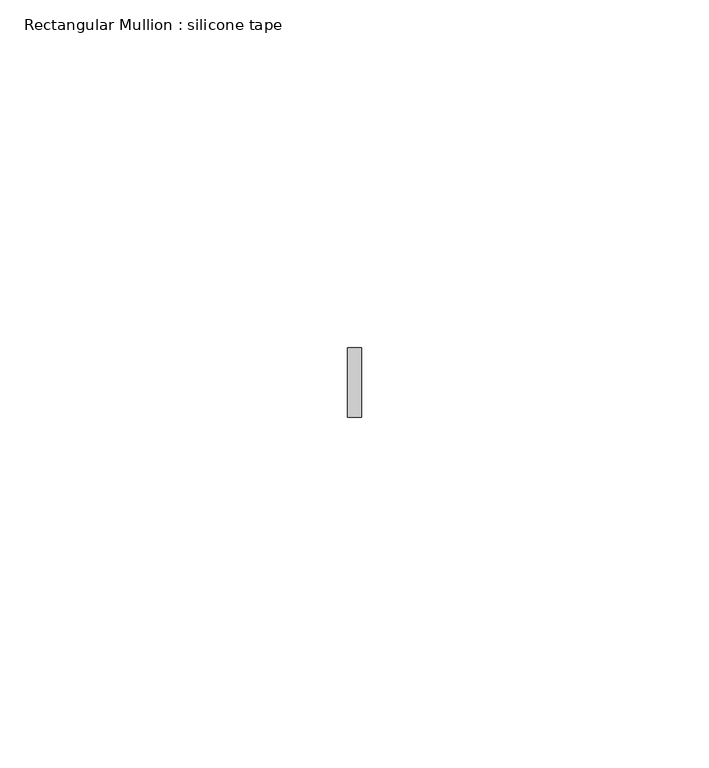
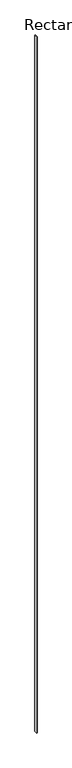
"""IFC4 building model written with IfcOpenShell, lengths in millimetres: member geometry, Rectangular Mullion : silicone tape."""

from ifc_helpers import new_model, si_unit, frame, origin, place, context, project, spatial, polyline, outline, extrude, source, transform, mapped, element, save


def rectangular_mullion_silicone_tape_8b7c6552(model_context):
    return source(origin(), model_context, "Body", "SweptSolid", [
        extrude(outline(polyline([(0.0, 5.0), (0.0, -5.0), (-2.0, -5.0), (-2.0, 5.0), (0.0, 5.0)])), frame((0.0, 0.0, -2640.0000015), z_axis=(0.0, 0.0, 1.0), x_axis=(1.0, 0.0, 0.0)), (0.0, 0.0, 1.0), 2640.0000015),
    ])


if __name__ == "__main__":
    model = new_model("IFC4")
    model_context = context("Model", 3, world=origin())
    ifc_project = project(units=[si_unit("LENGTHUNIT", "METRE", prefix="MILLI")], contexts=[model_context])
    site = spatial("IfcSite", under=ifc_project)
    building = spatial("IfcBuilding", under=site)
    placement = place(None, origin())
    rectangular_mullion_silicone_tape_shape = rectangular_mullion_silicone_tape_8b7c6552(model_context)
    element("IfcMember", 1, ObjectType="Rectangular Mullion : silicone tape", at=placement, inside=building, context=model_context, shape_type="MappedRepresentation", body=[
        mapped(rectangular_mullion_silicone_tape_shape, transform((0.0, 0.0, 0.0), x_axis=(1.0, 0.0, 0.0), y_axis=(0.0, 1.0, 0.0), z_axis=(0.0, 0.0, 1.0))),
    ])
    save(model, "model.ifc")
